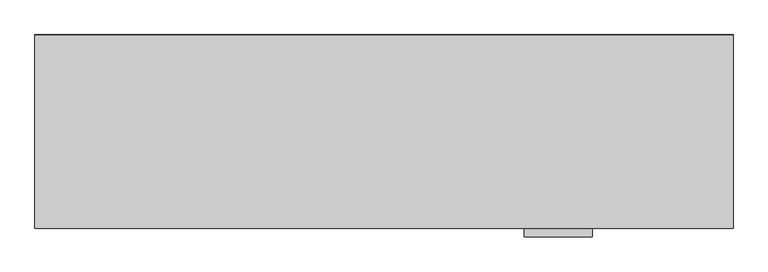
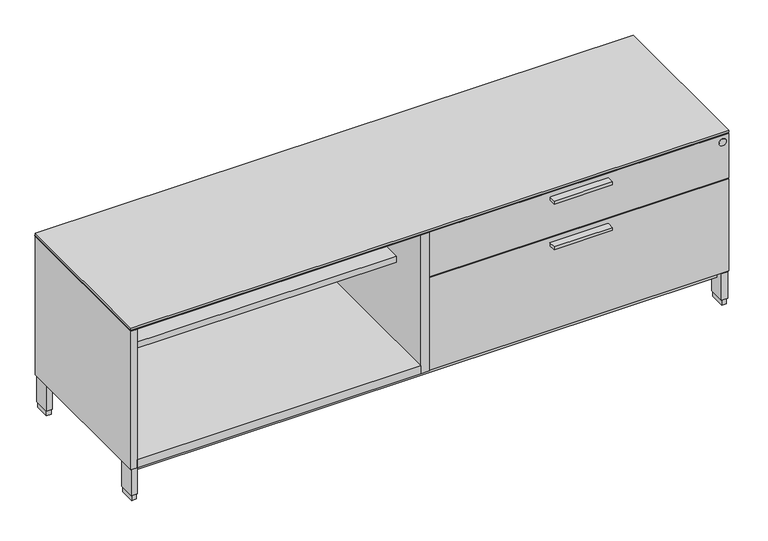
"""IFC4 building model written with IfcOpenShell, lengths in millimetres: furniture geometry."""

from ifc_helpers import new_model, si_unit, point, frame, frame_2d, origin, origin_with_axes, place, context, project, spatial, polyline, circle_curve, trimmed, segment, composite_curve, outline, extrude, source, transform, mapped, element, save


def furniture_010c34b8(model_context):
    return source(origin(), model_context, "Body", "SweptSolid", [
        extrude(outline(polyline([(1458.9125, -528.574), (1281.1125, -528.574), (1281.1125, -506.349), (1458.9125, -506.349), (1458.9125, -528.574)])), frame((0.0, 0.0, 378.83846), z_axis=(0.0, 0.0, 1.0), x_axis=(1.0, 0.0, 0.0)), (0.0, 0.0, 1.0), 9.525),
        extrude(outline(polyline([(1458.9125, -528.574), (1281.1125, -528.574), (1281.1125, -506.349), (1458.9125, -506.349), (1458.9125, -528.574)])), frame((0.0, 0.0, 526.28546), z_axis=(0.0, 0.0, 1.0), x_axis=(1.0, 0.0, 0.0)), (0.0, 0.0, 1.0), 9.525),
        extrude(outline(polyline([(21.0185, -20.828), (887.4125, -20.828), (887.4125, -375.8184), (21.0185, -375.8184), (21.0185, -20.828)])), frame((0.0, 0.0, 383.0828), z_axis=(0.0, 0.0, 1.0), x_axis=(1.0, 0.0, 0.0)), (0.0, 0.0, 1.0), 20.3454),
        extrude(outline(polyline([(21.0185, -20.828), (887.4125, -20.828), (887.4125, -506.349), (21.0185, -506.349), (21.0185, -20.828)])), frame((0.0, 0.0, 103.2002), z_axis=(0.0, 0.0, 1.0), x_axis=(1.0, 0.0, 0.0)), (0.0, 0.0, 1.0), 25.4),
        extrude(outline(polyline([(1.5875, 0.0), (1827.2125, 0.0), (1827.2125, -487.172), (912.8125, -487.172), (912.8125, -506.349), (1.5875, -506.349), (1.5875, 0.0)])), frame((0.0, 0.0, 550.8752), z_axis=(0.0, 0.0, 1.0), x_axis=(1.0, 0.0, 0.0)), (0.0, 0.0, 1.0), 1.5875),
        extrude(outline(polyline([(887.4125, -20.828), (912.8125, -20.828), (912.8125, -506.349), (887.4125, -506.349), (887.4125, -20.828)])), frame((0.0, 0.0, 103.2002), z_axis=(0.0, 0.0, 1.0), x_axis=(1.0, 0.0, 0.0)), (0.0, 0.0, 1.0), 447.675),
        extrude(outline(polyline([(21.2979, -5.715), (21.2979, -52.197), (6.5659, -52.197), (6.5659, -5.715), (21.2979, -5.715)])), origin_with_axes(), (0.0, 0.0, 1.0), 17.399),
        extrude(outline(polyline([(21.2979, -455.676), (21.2979, -502.158), (6.5659, -502.158), (6.5659, -455.676), (21.2979, -455.676)])), origin_with_axes(), (0.0, 0.0, 1.0), 17.399),
        extrude(outline(polyline([(1822.2341, -455.676), (1822.2341, -502.158), (1807.5021, -502.158), (1807.5021, -455.676), (1822.2341, -455.676)])), origin_with_axes(), (0.0, 0.0, 1.0), 17.399),
        extrude(outline(polyline([(1822.2341, -5.715), (1822.2341, -52.197), (1807.5021, -52.197), (1807.5021, -5.715), (1822.2341, -5.715)])), origin_with_axes(), (0.0, 0.0, 1.0), 17.399),
        extrude(outline(polyline([(23.4569, -3.556), (23.4569, -54.356), (4.4069, -54.356), (4.4069, -3.556), (23.4569, -3.556)])), frame((0.0, 0.0, 17.399), z_axis=(0.0, 0.0, 1.0), x_axis=(1.0, 0.0, 0.0)), (0.0, 0.0, 1.0), 85.8012),
        extrude(outline(polyline([(1824.3931, -3.556), (1824.3931, -54.356), (1805.3431, -54.356), (1805.3431, -3.556), (1824.3931, -3.556)])), frame((0.0, 0.0, 17.399), z_axis=(0.0, 0.0, 1.0), x_axis=(1.0, 0.0, 0.0)), (0.0, 0.0, 1.0), 85.8012),
        extrude(outline(polyline([(1824.3931, -453.517), (1824.3931, -504.317), (1805.3431, -504.317), (1805.3431, -453.517), (1824.3931, -453.517)])), frame((0.0, 0.0, 17.399), z_axis=(0.0, 0.0, 1.0), x_axis=(1.0, 0.0, 0.0)), (0.0, 0.0, 1.0), 85.8012),
        extrude(outline(polyline([(23.4569, -453.517), (23.4569, -504.317), (4.4069, -504.317), (4.4069, -453.517), (23.4569, -453.517)])), frame((0.0, 0.0, 17.399), z_axis=(0.0, 0.0, 1.0), x_axis=(1.0, 0.0, 0.0)), (0.0, 0.0, 1.0), 85.8012),
        extrude(outline(polyline([(1805.3431, -26.99766), (1805.3431, -480.87534), (23.4569, -480.87534), (23.4569, -26.99766), (1805.3431, -26.99766)])), frame((0.0, 0.0, 77.8002), z_axis=(0.0, 0.0, 1.0), x_axis=(1.0, 0.0, 0.0)), (0.0, 0.0, 1.0), 25.4),
        extrude(outline(polyline([(1827.2125, -487.172), (1827.2125, -506.349), (912.8125, -506.349), (912.8125, -487.172), (1827.2125, -487.172)])), frame((0.0, 0.0, 106.3752), z_axis=(0.0, 0.0, 1.0), x_axis=(1.0, 0.0, 0.0)), (0.0, 0.0, 1.0), 297.053),
        extrude(outline(polyline([(1827.2125, -487.172), (1827.2125, -506.349), (912.8125, -506.349), (912.8125, -487.172), (1827.2125, -487.172)])), frame((0.0, 0.0, 406.6032), z_axis=(0.0, 0.0, 1.0), x_axis=(1.0, 0.0, 0.0)), (0.0, 0.0, 1.0), 144.272),
        extrude(outline(composite_curve([segment(trimmed(circle_curve(frame_2d((528.3708, 1808.1625)), 11.176), [point((528.3708, 1819.3385))], [point((528.3708, 1796.9865))], False, "CARTESIAN"), True, "CONTINUOUS"), segment(trimmed(circle_curve(frame_2d((528.3708, 1808.1625)), 11.176), [point((528.3708, 1796.9865))], [point((528.3708, 1819.3385))], False, "CARTESIAN"), True, "CONTINUOUS")], self_intersect=False)), frame((0.0, -506.9614948, 0.0), z_axis=(0.0, 1.0, 0.0), x_axis=(0.0, 0.0, 1.0)), (0.0, 0.0, 1.0), 5.0524148),
        extrude(outline(polyline([(1827.2125, -506.349), (1.5875, -506.349), (1.5875, -1.524), (1827.2125, -1.524), (1827.2125, -506.349)])), frame((0.0, 0.0, 554.0502), z_axis=(0.0, 0.0, 1.0), x_axis=(1.0, 0.0, 0.0)), (0.0, 0.0, 1.0), 6.35),
        extrude(outline(polyline([(1.5875, -1.524), (1827.2125, -1.524), (1827.2125, -483.2858), (1807.7815, -483.2858), (1807.7815, -20.828), (21.0185, -20.828), (21.0185, -506.349), (1.5875, -506.349), (1.5875, -1.524)])), frame((0.0, 0.0, 103.2002), z_axis=(0.0, 0.0, 1.0), x_axis=(1.0, 0.0, 0.0)), (0.0, 0.0, 1.0), 447.675),
    ])


if __name__ == "__main__":
    model = new_model("IFC4")
    model_context = context("Model", 3, world=origin())
    ifc_project = project(units=[si_unit("LENGTHUNIT", "METRE", prefix="MILLI")], contexts=[model_context])
    site = spatial("IfcSite", under=ifc_project)
    building = spatial("IfcBuilding", under=site)
    placement = place(None, origin())
    furniture_shape = furniture_010c34b8(model_context)
    element("IfcFurniture", 1, at=placement, inside=building, context=model_context, shape_type="MappedRepresentation", body=[
        mapped(furniture_shape, transform((0.0, 0.0, 0.0), x_axis=(1.0, 0.0, 0.0), y_axis=(0.0, 1.0, 0.0), z_axis=(0.0, 0.0, 1.0))),
    ])
    save(model, "model.ifc")
